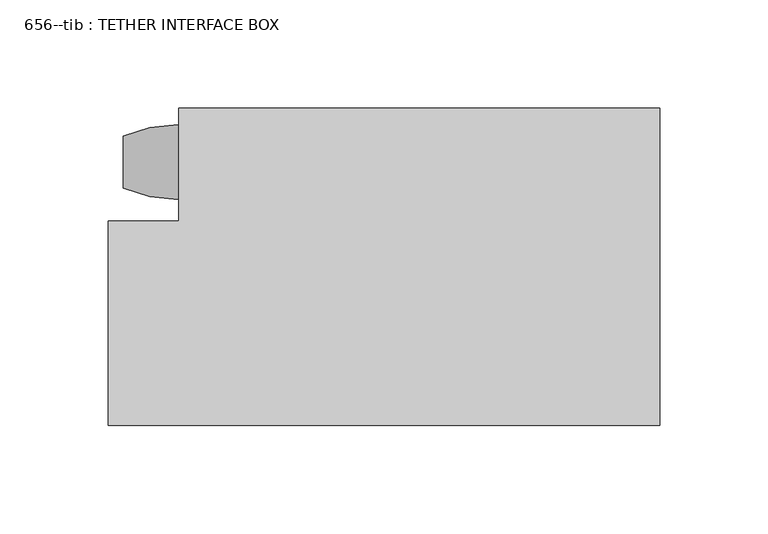
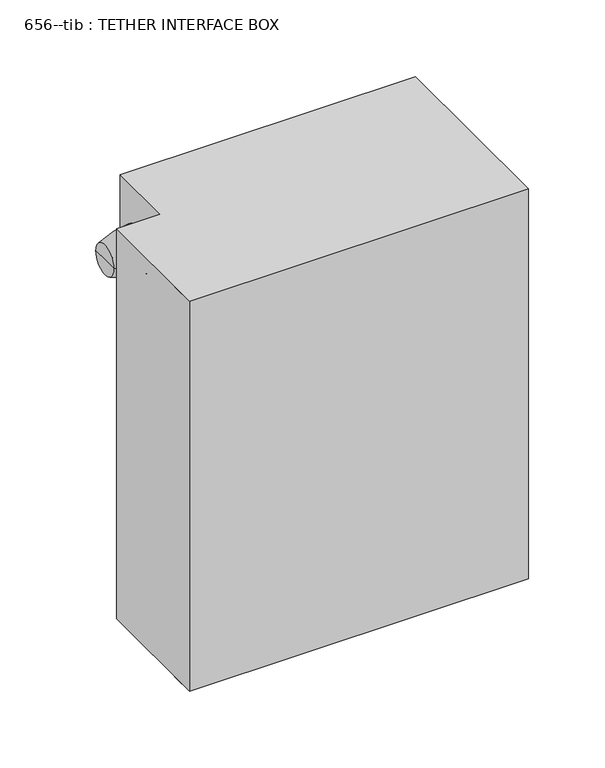
"""IFC4 building model written with IfcOpenShell, lengths in millimetres: proxy geometry, 656--tib : TETHER INTERFACE BOX."""

from ifc_helpers import new_model, si_unit, point, frame, origin, place, context, project, spatial, polyline, circle_curve, ellipse_curve, trimmed, outline, extrude, source, transform, mapped, element, save
from ifc_brep_helpers import plane_surface, revolved_surface, advanced_brep


def proxy_656_tib_tether_interface_box_ab2a8149(model_context):
    return source(origin(), model_context, "Body", "SolidModel", [
        extrude(outline(polyline([(-801.8326378, 81.1429439), (-801.8326378, -65.5087277), (-1056.5946378, -65.5087277), (-1056.5946378, 29.0339036), (-1023.9099525, 29.0339036), (-1023.9099525, 81.1429439), (-801.8326378, 81.1429439)])), frame((0.0, 0.0, 1064.26), z_axis=(0.0, 0.0, 1.0), x_axis=(1.0, 0.0, 0.0)), (0.0, 0.0, 1.0), 309.88),
        advanced_brep(
        [(-1024.3584952, 38.8377266, 1330.7292887), (-1024.3584952, 73.5925623, 1330.7292887), (-1024.3584952, 56.2151444, 1330.7292887), (-1049.7584952, 44.2799735, 1330.7292887), (-1049.7584952, 68.1503154, 1330.7292887), (-1049.7584952, 56.2151444, 1330.7292887)],
        [
            (0, 1, circle_curve(frame((-1024.3584952, 56.2151444, 1330.7292887), z_axis=(1.0, 0.0, 0.0), x_axis=(0.0, 1.0, 0.0)), 17.3774179)),
            (1, 2),
            (2, 0),
            (1, 0, circle_curve(frame((-1024.3584952, 56.2151444, 1330.7292887), z_axis=(1.0, 0.0, 0.0), x_axis=(0.0, 1.0, 0.0)), 17.3774179)),
            (3, 4, circle_curve(frame((-1049.7584952, 56.2151444, 1330.7292887), z_axis=(1.0, 0.0, 0.0), x_axis=(0.0, 1.0, 0.0)), 11.935171)),
            (4, 1, circle_curve(frame((-1022.7485059, 4.0840003, 1330.7292887), z_axis=(0.0, 0.0, -1.0), x_axis=(0.0, 1.0, 0.0)), 69.5272052)),
            (0, 3, circle_curve(frame((-1022.7485059, 108.3462886, 1330.7292887), z_axis=(0.0, 0.0, -1.0), x_axis=(0.0, -1.0, 0.0)), 69.5272052)),
            (4, 3, circle_curve(frame((-1049.7584952, 56.2151444, 1330.7292887), z_axis=(1.0, 0.0, 0.0), x_axis=(0.0, 1.0, 0.0)), 11.935171)),
            (5, 4),
            (3, 5),
        ],
        [
            plane_surface(frame((-1024.3584952, 56.2151444, 1330.7292887), z_axis=(1.0, 0.0, 0.0), x_axis=(0.0, 1.0, 0.0))),
            revolved_surface(trimmed(ellipse_curve(frame((-1022.7485059, 4.0840003, 1330.7292887), z_axis=(0.0, 0.0, 1.0), x_axis=(0.0, 1.0, 0.0)), 69.5272052, 69.5272052), [point((-1024.3584952, 73.5925623, 1330.7292887))], [point((-1049.7584952, 68.1503154, 1330.7292887))], True, "CARTESIAN"), (-1045.9009456, 56.2151444, 1330.7292887), (-1.0, 0.0, 0.0)),
            plane_surface(frame((-1049.7584952, 56.2151444, 1330.7292887), z_axis=(-1.0, 0.0, 0.0), x_axis=(0.0, 1.0, 0.0))),
        ],
        [
            (0, [[1, 2, 3]]),
            (0, [[4, -3, -2]]),
            (1, [[5, 6, -1, 7]]),
            (1, [[8, -7, -4, -6]]),
            (2, [[9, -5, 10]]),
            (2, [[-10, -8, -9]]),
        ],
    ),
        extrude(outline(polyline([(-801.8326378, -65.5087277), (-1056.5946378, -65.5087277), (-1056.5946378, -46.4587277), (-801.8326378, -46.4587277), (-801.8326378, -65.5087277)])), frame((0.0, 0.0, 1064.26), z_axis=(0.0, 0.0, 1.0), x_axis=(1.0, 0.0, 0.0)), (0.0, 0.0, 1.0), 309.88),
    ])


if __name__ == "__main__":
    model = new_model("IFC4")
    model_context = context("Model", 3, world=origin())
    ifc_project = project(units=[si_unit("LENGTHUNIT", "METRE", prefix="MILLI")], contexts=[model_context])
    site = spatial("IfcSite", under=ifc_project)
    building = spatial("IfcBuilding", under=site)
    placement = place(None, origin())
    proxy_656_tib_tether_interface_box_shape = proxy_656_tib_tether_interface_box_ab2a8149(model_context)
    element("IfcBuildingElementProxy", 1, Name="656--tib : TETHER INTERFACE BOX", ObjectType="656--tib : TETHER INTERFACE BOX", at=placement, inside=building, context=model_context, shape_type="MappedRepresentation", body=[
        mapped(proxy_656_tib_tether_interface_box_shape, transform((0.0, 0.0, 0.0), x_axis=(1.0, 0.0, 0.0), y_axis=(0.0, 1.0, 0.0), z_axis=(0.0, 0.0, 1.0))),
    ])
    save(model, "model.ifc")
